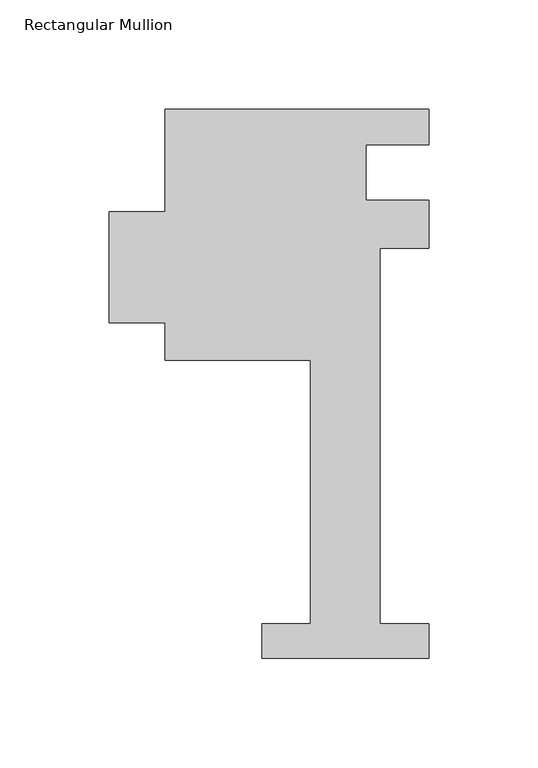
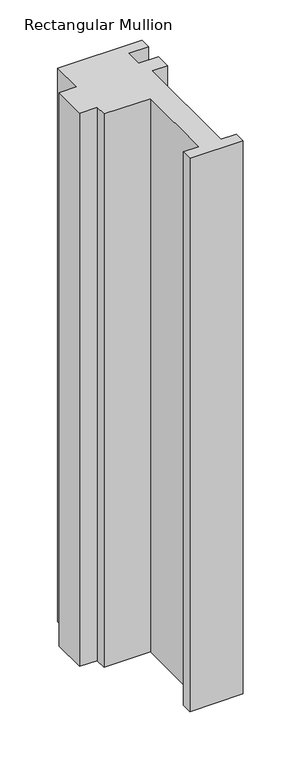
"""IFC4 building model written with IfcOpenShell, lengths in millimetres: member geometry, Rectangular Mullion."""

from ifc_helpers import new_model, si_unit, frame, origin, place, context, project, spatial, polyline, outline, extrude, source, transform, mapped, element, save


def rectangular_mullion_16e912ed(model_context):
    return source(origin(), model_context, "Body", "SweptSolid", [
        extrude(outline(polyline([(-38.1, -221.996), (-38.1, -206.121), (-15.875, -206.121), (-15.875, -85.7445803), (-82.55, -85.7445803), (-82.55, -68.6906436), (-107.95, -68.6906436), (-107.95, -17.8906436), (-82.55, -17.8906436), (-82.55, 28.8092863), (38.1, 28.8092863), (38.1, 12.7), (9.525, 12.7), (9.525, -12.7), (38.1, -12.7), (38.1, -34.671), (15.875, -34.671), (15.875, -206.121), (38.1, -206.121), (38.1, -221.996), (-38.1, -221.996)])), frame((0.0, 0.0, -838.6895825), z_axis=(0.0, 0.0, 1.0), x_axis=(1.0, 0.0, 0.0)), (0.0, 0.0, 1.0), 838.6895825),
    ])


if __name__ == "__main__":
    model = new_model("IFC4")
    model_context = context("Model", 3, world=origin())
    ifc_project = project(units=[si_unit("LENGTHUNIT", "METRE", prefix="MILLI")], contexts=[model_context])
    site = spatial("IfcSite", under=ifc_project)
    building = spatial("IfcBuilding", under=site)
    placement = place(None, origin())
    rectangular_mullion_shape = rectangular_mullion_16e912ed(model_context)
    element("IfcMember", 1, ObjectType="Rectangular Mullion", at=placement, inside=building, context=model_context, shape_type="MappedRepresentation", body=[
        mapped(rectangular_mullion_shape, transform((0.0, 0.0, 0.0), x_axis=(1.0, 0.0, 0.0), y_axis=(0.0, 1.0, 0.0), z_axis=(0.0, 0.0, 1.0))),
    ])
    save(model, "model.ifc")
